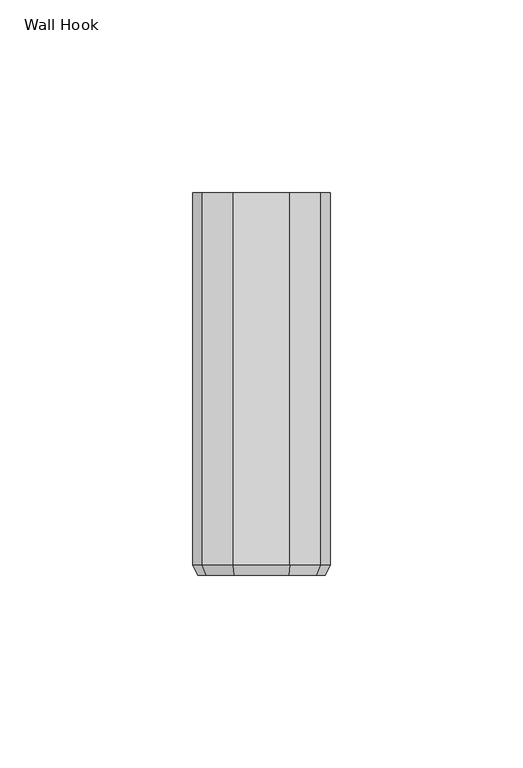
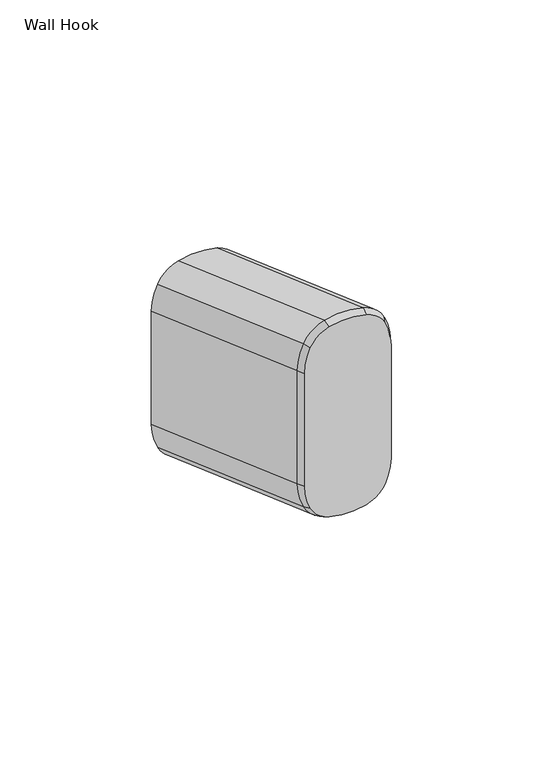
"""IFC4 building model written with IfcOpenShell, lengths in millimetres: furniture geometry, Wall Hook."""

from ifc_helpers import new_model, si_unit, point, frame, origin, place, context, project, spatial, polyline, circle_curve, trimmed, source, transform, mapped, element, save
from ifc_brep_helpers import plane_surface, revolved_surface, extruded_surface, advanced_brep


def wall_hook_285cdc2d(model_context):
    return source(origin(), model_context, "Body", "AdvancedBrep", [
        advanced_brep(
        [(7.0179885, -99.06, 1596.0432049), (-7.0179885, -99.06, 1596.0432049), (-14.2646843, -99.06, 1590.0899681), (-16.51, -99.06, 1580.5078309), (-16.51, -99.06, 1535.0033315), (-14.2646843, -99.06, 1525.4211944), (-7.0179885, -99.06, 1519.4679575), (7.0179885, -99.06, 1519.4679575), (14.2646843, -99.06, 1525.4211944), (16.51, -99.06, 1535.0033315), (16.51, -99.06, 1580.5078309), (14.2646843, -99.06, 1590.0899681), (7.3505946, -96.52, 1597.2688775), (-7.3505946, -96.52, 1597.2688775), (-15.4024788, -96.52, 1590.6541699), (-17.78, -96.52, 1580.5078309), (-17.78, -96.52, 1535.0033315), (-15.4024788, -96.52, 1524.8569926), (-7.3505946, -96.52, 1518.242285), (7.3505946, -96.52, 1518.242285), (15.4024788, -96.52, 1524.8569926), (17.78, -96.52, 1535.0033315), (17.78, -96.52, 1580.5078309), (15.4024788, -96.52, 1590.6541699), (-17.78, 0.0, 1546.0497346), (-15.4024788, 0.0, 1556.1960735), (-7.3505946, 0.0, 1562.8107811), (7.3505946, 0.0, 1562.8107811), (15.4024788, 0.0, 1556.1960735), (17.78, 0.0, 1546.0497346), (17.78, 0.0, 1500.5452352), (15.4024788, 0.0, 1490.3988962), (7.3505946, 0.0, 1483.7841886), (-7.3505946, 0.0, 1483.7841886), (-15.4024788, 0.0, 1490.3988962), (-17.78, 0.0, 1500.5452352)],
        [
            (0, 1, circle_curve(frame((0.0, -99.06, 1570.1815142), z_axis=(0.0, -1.0, 0.0), x_axis=(0.26189455904707765, 0.0, 0.9650964925547791)), 26.797)),
            (1, 2, circle_curve(frame((-4.0245337, -99.06, 1585.012152), z_axis=(0.0, -1.0, 0.0), x_axis=(-0.26189455904374787, 0.0, 0.9650964925556826)), 11.43)),
            (2, 3, circle_curve(frame((5.0590814, -99.06, 1580.5078309), z_axis=(0.0, -1.0, 0.0), x_axis=(-0.8959011893559893, 0.0, 0.4442533724244801)), 21.5690814)),
            (3, 4),
            (4, 5, circle_curve(frame((5.0590814, -99.06, 1535.0033315), z_axis=(0.0, -1.0, 0.0), x_axis=(-1.0, 0.0, 0.0)), 21.5690814)),
            (5, 6, circle_curve(frame((-4.0245337, -99.06, 1530.4990104), z_axis=(0.0, -1.0, 0.0), x_axis=(-0.895901189356167, 0.0, -0.4442533724241218)), 11.43)),
            (6, 7, circle_curve(frame((0.0, -99.06, 1545.3296482), z_axis=(0.0, -1.0, 0.0), x_axis=(-0.26189455904393866, 0.0, -0.9650964925556308)), 26.797)),
            (7, 8, circle_curve(frame((4.0245337, -99.06, 1530.4990104), z_axis=(0.0, -1.0, 0.0), x_axis=(0.26189455904692605, 0.0, -0.9650964925548202)), 11.43)),
            (8, 9, circle_curve(frame((-5.0590814, -99.06, 1535.0033315), z_axis=(0.0, -1.0, 0.0), x_axis=(0.8959011893560707, 0.0, -0.444253372424316)), 21.5690814)),
            (9, 10),
            (10, 11, circle_curve(frame((-5.0590814, -99.06, 1580.5078309), z_axis=(0.0, -1.0, 0.0), x_axis=(1.0, 0.0, 0.0)), 21.5690814)),
            (11, 0, circle_curve(frame((4.0245337, -99.06, 1585.012152), z_axis=(0.0, -1.0, 0.0), x_axis=(0.8959011893560843, 0.0, 0.4442533724242885)), 11.43)),
            (0, 12),
            (12, 13, circle_curve(frame((0.0, -96.52, 1570.1815142), z_axis=(0.0, -1.0, 0.0), x_axis=(0.26189455904707765, 0.0, 0.9650964925547791)), 28.067)),
            (13, 1),
            (13, 14, circle_curve(frame((-4.0245337, -96.52, 1585.012152), z_axis=(0.0, -1.0, 0.0), x_axis=(-0.26189455904374787, 0.0, 0.9650964925556826)), 12.7)),
            (14, 2),
            (14, 15, circle_curve(frame((5.0590814, -96.52, 1580.5078309), z_axis=(0.0, -1.0, 0.0), x_axis=(-0.8959011893559893, 0.0, 0.4442533724244801)), 22.8390814)),
            (15, 3),
            (15, 16),
            (16, 4),
            (16, 17, circle_curve(frame((5.0590814, -96.52, 1535.0033315), z_axis=(0.0, -1.0, 0.0), x_axis=(-1.0, 0.0, 0.0)), 22.8390814)),
            (17, 5),
            (17, 18, circle_curve(frame((-4.0245337, -96.52, 1530.4990104), z_axis=(0.0, -1.0, 0.0), x_axis=(-0.895901189356167, 0.0, -0.4442533724241218)), 12.7)),
            (18, 6),
            (18, 19, circle_curve(frame((0.0, -96.52, 1545.3296482), z_axis=(0.0, -1.0, 0.0), x_axis=(-0.26189455904393866, 0.0, -0.9650964925556308)), 28.067)),
            (19, 7),
            (19, 20, circle_curve(frame((4.0245337, -96.52, 1530.4990104), z_axis=(0.0, -1.0, 0.0), x_axis=(0.26189455904692605, 0.0, -0.9650964925548202)), 12.7)),
            (20, 8),
            (20, 21, circle_curve(frame((-5.0590814, -96.52, 1535.0033315), z_axis=(0.0, -1.0, 0.0), x_axis=(0.8959011893560707, 0.0, -0.444253372424316)), 22.8390814)),
            (21, 9),
            (21, 22),
            (22, 10),
            (22, 23, circle_curve(frame((-5.0590814, -96.52, 1580.5078309), z_axis=(0.0, -1.0, 0.0), x_axis=(1.0, 0.0, 0.0)), 22.8390814)),
            (23, 11),
            (23, 12, circle_curve(frame((4.0245337, -96.52, 1585.012152), z_axis=(0.0, -1.0, 0.0), x_axis=(0.8959011893560843, 0.0, 0.4442533724242885)), 12.7)),
            (24, 25, circle_curve(frame((5.0590814, 0.0, 1546.0497346), z_axis=(0.0, 1.0, 0.0), x_axis=(1.0, 0.0, 0.0)), 22.8390814)),
            (25, 26, circle_curve(frame((-4.0245337, 0.0, 1550.5540557), z_axis=(0.0, 1.0, 0.0), x_axis=(1.0, 0.0, 0.0)), 12.7)),
            (26, 27, circle_curve(frame((0.0, 0.0, 1535.7234179), z_axis=(0.0, 1.0, 0.0), x_axis=(1.0, 0.0, 0.0)), 28.067)),
            (27, 28, circle_curve(frame((4.0245337, 0.0, 1550.5540557), z_axis=(0.0, 1.0, 0.0), x_axis=(1.0, 0.0, 0.0)), 12.7)),
            (28, 29, circle_curve(frame((-5.0590814, 0.0, 1546.0497346), z_axis=(0.0, 1.0, 0.0), x_axis=(1.0, 0.0, 0.0)), 22.8390814)),
            (29, 30),
            (30, 31, circle_curve(frame((-5.0590814, 0.0, 1500.5452352), z_axis=(0.0, 1.0, 0.0), x_axis=(1.0, 0.0, 0.0)), 22.8390814)),
            (31, 32, circle_curve(frame((4.0245337, 0.0, 1496.0409141), z_axis=(0.0, 1.0, 0.0), x_axis=(1.0, 0.0, 0.0)), 12.7)),
            (32, 33, circle_curve(frame((0.0, 0.0, 1510.8715519), z_axis=(0.0, 1.0, 0.0), x_axis=(1.0, 0.0, 0.0)), 28.067)),
            (33, 34, circle_curve(frame((-4.0245337, 0.0, 1496.0409141), z_axis=(0.0, 1.0, 0.0), x_axis=(1.0, 0.0, 0.0)), 12.7)),
            (34, 35, circle_curve(frame((5.0590814, 0.0, 1500.5452352), z_axis=(0.0, 1.0, 0.0), x_axis=(1.0, 0.0, 0.0)), 22.8390814)),
            (35, 24),
            (35, 16),
            (15, 24),
            (34, 17),
            (33, 18),
            (32, 19),
            (31, 20),
            (30, 21),
            (29, 22),
            (28, 23),
            (27, 12),
            (26, 13),
            (25, 14),
        ],
        [
            plane_surface(frame((0.0, -99.06, 1557.7555812), z_axis=(0.0, -1.0, 0.0), x_axis=(-0.4442533724243113, 0.0, -0.895901189356073))),
            revolved_surface(polyline([(7.017988509502262, -99.06, 1596.0432049524886), (7.3505946, -96.52, 1597.2688775)]), (0.0, -152.654, 1570.1815142), (0.0, 1.0, 0.0)),
            revolved_surface(polyline([(-7.0179885099999995, -99.06, 1596.04320495), (-7.3505946, -96.52, 1597.2688775)]), (-4.0245337, -121.92, 1585.012152), (0.0, 1.0, 0.0)),
            revolved_surface(polyline([(-14.264684286474171, -99.06, 1590.0899681121728), (-15.4024788, -96.52, 1590.6541699)]), (5.0590814, -142.1981627, 1580.5078309), (0.0, 1.0, 0.0)),
            plane_surface(frame((-17.78, -96.52, 1557.7555812), z_axis=(-0.8944271909999321, -0.4472135954999258, 0.0), x_axis=(0.0, 0.0, -1.0))),
            revolved_surface(polyline([(-16.509999997219676, -99.06, 1535.0033315), (-17.78, -96.52, 1535.0033315)]), (5.0590814, -142.1981627, 1535.0033315), (0.0, 1.0, 0.0)),
            revolved_surface(polyline([(-14.264684289999998, -99.06, 1525.42119438), (-15.4024788, -96.52, 1524.8569926)]), (-4.0245337, -121.92, 1530.4990104), (0.0, 1.0, 0.0)),
            revolved_surface(polyline([(-7.017988509502262, -99.06, 1519.4679575429864), (-7.3505946, -96.52, 1518.242285)]), (0.0, -152.654, 1545.3296482), (0.0, 1.0, 0.0)),
            revolved_surface(polyline([(7.0179885099999995, -99.06, 1519.46795754), (7.3505946, -96.52, 1518.242285)]), (4.0245337, -121.92, 1530.4990104), (0.0, 1.0, 0.0)),
            revolved_surface(polyline([(14.264684286474171, -99.06, 1525.4211943822665), (15.4024788, -96.52, 1524.8569926)]), (-5.0590814, -142.1981627, 1535.0033315), (0.0, 1.0, 0.0)),
            plane_surface(frame((17.78, -96.52, 1557.7555812), z_axis=(0.894427191002012, -0.44721359549576584, 0.0), x_axis=(0.0, 0.0, 1.0))),
            revolved_surface(polyline([(16.509999997219676, -99.06, 1580.5078309), (17.78, -96.52, 1580.5078309)]), (-5.0590814, -142.1981627, 1580.5078309), (0.0, 1.0, 0.0)),
            revolved_surface(polyline([(14.264684289999998, -99.06, 1590.08996811), (15.4024788, -96.52, 1590.6541699)]), (4.0245337, -121.92, 1585.012152), (0.0, 1.0, 0.0)),
            plane_surface(frame((0.0, 0.0, 1523.2974849), z_axis=(0.0, 1.0, 0.0), x_axis=(-0.9650964925552253, 0.0, 0.26189455904543313))),
            plane_surface(frame((-17.78, 0.0, 1523.2974849), z_axis=(-1.0, 0.0, 0.0), x_axis=(0.0, 0.0, -1.0))),
            extruded_surface(trimmed(circle_curve(frame((5.0590814, 0.0, 1500.5452352), z_axis=(0.0, -1.0, 0.0), x_axis=(1.0, 0.0, 0.0)), 22.8390814), [point((-17.78, 0.0, 1500.5452352))], [point((-15.4024788, 0.0, 1490.3988962))], True, "CARTESIAN"), (0.0, -96.52, 34.45809630000008), 102.4864420331786),
            extruded_surface(trimmed(circle_curve(frame((-4.0245337, 0.0, 1496.0409141), z_axis=(0.0, -1.0, 0.0), x_axis=(1.0, 0.0, 0.0)), 12.7), [point((-15.4024788, 0.0, 1490.3988962))], [point((-7.3505946, 0.0, 1483.7841886))], True, "CARTESIAN"), (0.0, -96.52, 34.45809630000008), 102.4864420331786),
            extruded_surface(trimmed(circle_curve(frame((0.0, 0.0, 1510.8715519), z_axis=(0.0, -1.0, 0.0), x_axis=(1.0, 0.0, 0.0)), 28.067), [point((-7.3505946, 0.0, 1483.7841886))], [point((7.3505946, 0.0, 1483.7841886))], True, "CARTESIAN"), (0.0, -96.52, 34.45809630000008), 102.4864420331786),
            extruded_surface(trimmed(circle_curve(frame((4.0245337, 0.0, 1496.0409141), z_axis=(0.0, -1.0, 0.0), x_axis=(1.0, 0.0, 0.0)), 12.7), [point((7.3505946, 0.0, 1483.7841886))], [point((15.4024788, 0.0, 1490.3988962))], True, "CARTESIAN"), (0.0, -96.52, 34.45809630000008), 102.4864420331786),
            extruded_surface(trimmed(circle_curve(frame((-5.0590814, 0.0, 1500.5452352), z_axis=(0.0, -1.0, 0.0), x_axis=(1.0, 0.0, 0.0)), 22.8390814), [point((15.4024788, 0.0, 1490.3988962))], [point((17.78, 0.0, 1500.5452352))], True, "CARTESIAN"), (0.0, -96.52, 34.45809630000008), 102.4864420331786),
            plane_surface(frame((17.78, 0.0, 1523.2974849), z_axis=(1.0, 0.0, 0.0), x_axis=(0.0, 0.0, 1.0))),
            extruded_surface(trimmed(circle_curve(frame((-5.0590814, 0.0, 1546.0497346), z_axis=(0.0, -1.0, 0.0), x_axis=(1.0, 0.0, 0.0)), 22.8390814), [point((17.78, 0.0, 1546.0497346))], [point((15.4024788, 0.0, 1556.1960735))], True, "CARTESIAN"), (0.0, -96.52, 34.45809630000008), 102.4864420331786),
            extruded_surface(trimmed(circle_curve(frame((4.0245337, 0.0, 1550.5540557), z_axis=(0.0, -1.0, 0.0), x_axis=(1.0, 0.0, 0.0)), 12.7), [point((15.4024788, 0.0, 1556.1960735))], [point((7.3505946, 0.0, 1562.8107811))], True, "CARTESIAN"), (0.0, -96.52, 34.45809630000008), 102.4864420331786),
            extruded_surface(trimmed(circle_curve(frame((0.0, 0.0, 1535.7234179), z_axis=(0.0, -1.0, 0.0), x_axis=(1.0, 0.0, 0.0)), 28.067), [point((7.3505946, 0.0, 1562.8107811))], [point((-7.3505946, 0.0, 1562.8107811))], True, "CARTESIAN"), (0.0, -96.52, 34.45809630000008), 102.4864420331786),
            extruded_surface(trimmed(circle_curve(frame((-4.0245337, 0.0, 1550.5540557), z_axis=(0.0, -1.0, 0.0), x_axis=(1.0, 0.0, 0.0)), 12.7), [point((-7.3505946, 0.0, 1562.8107811))], [point((-15.4024788, 0.0, 1556.1960735))], True, "CARTESIAN"), (0.0, -96.52, 34.45809630000008), 102.4864420331786),
            extruded_surface(trimmed(circle_curve(frame((5.0590814, 0.0, 1546.0497346), z_axis=(0.0, -1.0, 0.0), x_axis=(1.0, 0.0, 0.0)), 22.8390814), [point((-15.4024788, 0.0, 1556.1960735))], [point((-17.78, 0.0, 1546.0497346))], True, "CARTESIAN"), (0.0, -96.52, 34.45809630000008), 102.4864420331786),
        ],
        [
            (0, [[1, 2, 3, 4, 5, 6, 7, 8, 9, 10, 11, 12]]),
            (1, [[-1, 13, 14, 15]]),
            (2, [[-2, -15, 16, 17]]),
            (3, [[-3, -17, 18, 19]]),
            (4, [[-4, -19, 20, 21]]),
            (5, [[-5, -21, 22, 23]]),
            (6, [[-6, -23, 24, 25]]),
            (7, [[-7, -25, 26, 27]]),
            (8, [[-8, -27, 28, 29]]),
            (9, [[-9, -29, 30, 31]]),
            (10, [[-10, -31, 32, 33]]),
            (11, [[-11, -33, 34, 35]]),
            (12, [[-12, -35, 36, -13]]),
            (13, [[37, 38, 39, 40, 41, 42, 43, 44, 45, 46, 47, 48]]),
            (14, [[-48, 49, -20, 50]]),
            (15, [[-47, 51, -22, -49]]),
            (16, [[-46, 52, -24, -51]]),
            (17, [[-45, 53, -26, -52]]),
            (18, [[-44, 54, -28, -53]]),
            (19, [[-43, 55, -30, -54]]),
            (20, [[-42, 56, -32, -55]]),
            (21, [[-41, 57, -34, -56]]),
            (22, [[-40, 58, -36, -57]]),
            (23, [[-39, 59, -14, -58]]),
            (24, [[-38, 60, -16, -59]]),
            (25, [[-37, -50, -18, -60]]),
        ],
    ),
    ])


if __name__ == "__main__":
    model = new_model("IFC4")
    model_context = context("Model", 3, world=origin())
    ifc_project = project(units=[si_unit("LENGTHUNIT", "METRE", prefix="MILLI")], contexts=[model_context])
    site = spatial("IfcSite", under=ifc_project)
    building = spatial("IfcBuilding", under=site)
    placement = place(None, origin())
    wall_hook_shape = wall_hook_285cdc2d(model_context)
    element("IfcFurniture", 1, ObjectType="Wall Hook", at=placement, inside=building, context=model_context, shape_type="MappedRepresentation", body=[
        mapped(wall_hook_shape, transform((0.0, 0.0, 0.0), x_axis=(1.0, 0.0, 0.0), y_axis=(0.0, 1.0, 0.0), z_axis=(0.0, 0.0, 1.0))),
    ])
    save(model, "model.ifc")
